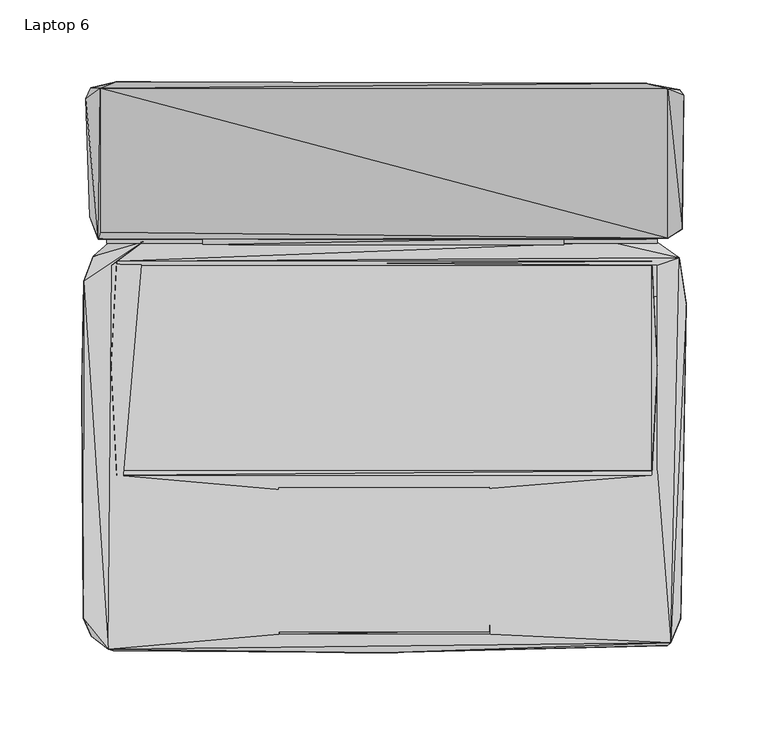
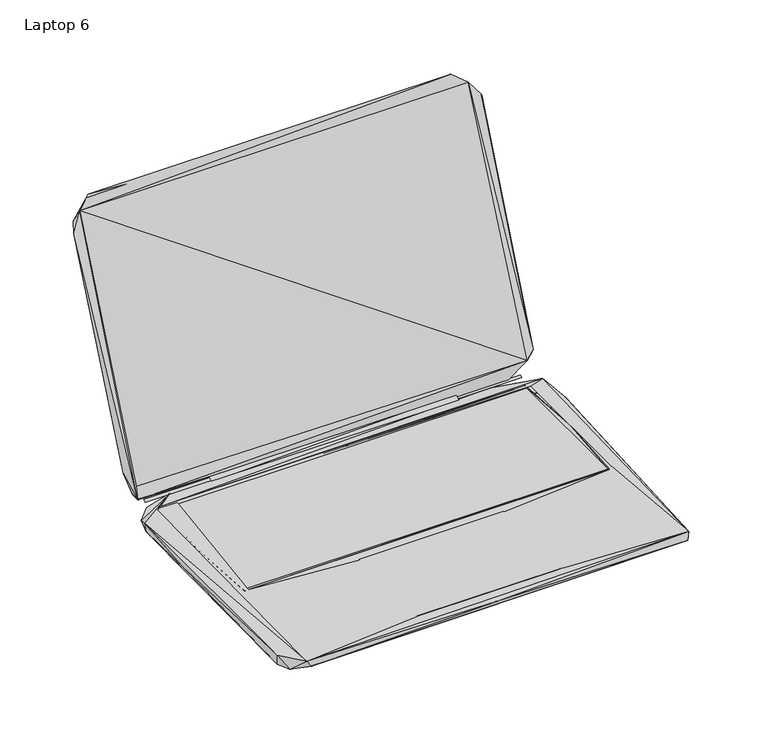
"""IFC4 building model written with IfcOpenShell, lengths in millimetres: furniture geometry, Laptop 6."""

from ifc_helpers import new_model, si_unit, origin, place, context, project, spatial, triangles, source, transform, mapped, element, save


def laptop_6_d6ab56ca(model_context):
    return source(origin(), model_context, "Body", "Tessellation", [
        triangles([(-110.8122223, 74.627794, 10.6596248), (109.6013406, 74.6278076, 10.6596248), (109.7013345, 79.027807, 13.559625), (-110.8122223, 79.1277919, 13.559625), (-177.7495428, 67.5618145, 1.9875597), (-147.0631074, 76.4618118, 11.2875593), (-168.0495353, 76.0618135, 5.7875595), (179.8283585, 64.0618283, 1.3875597), (-175.7495377, 83.7618113, 15.6875588), (179.7283646, 88.3618303, 24.887557), (153.6283589, 77.6618294, 9.9875603), (-174.5495383, 78.161817, 13.8875596), (-173.4495509, 82.3618059, 23.5875592), (-173.4495691, 170.0837498, 230.6309262), (173.2283617, 78.5618289, 23.5875592), (-182.3495527, 163.7837528, 215.930915), (-169.4495407, 75.7618182, 11.0875602), (166.7283587, 75.7618318, 11.0875602), (-169.4495407, 78.161817, 12.3875592), (166.7283587, 78.1618261, 12.3875592), (138.5419342, 76.361827, 10.7875592), (166.8283708, 76.261824, 5.8875596), (-166.3495482, 62.0618141, 11.38756), (-163.1495437, 64.7618083, 11.38756), (-163.1495437, 62.1618125, 10.6875596), (163.4283603, 64.7618264, 11.38756), (166.7283587, 62.1618307, 11.4875596), (180.1283584, 66.761827, 11.1875598), (163.4283603, 62.1618307, 10.6875596), (181.8283636, 84.2618262, 27.087559), (173.2283617, 169.9837741, 230.7309201), (183.028363, 165.9837639, 217.9309201), (180.4283401, 169.2837623, 219.6309072), (-179.2495603, 170.3837315, 222.6309239), (-163.4495617, 174.0837419, 240.2309216), (159.4283501, 173.2837725, 240.9309152), (-183.6495279, -153.3039964, 10.6875596), (-182.5495224, -150.8039946, 0.2875598), (-178.8495302, -164.2039852, 2.0875598), (-168.349517, -172.3039813, 11.1875598), (-184.5495456, -12.9601214, 6.4875599), (-183.349528, 52.5508394, 10.0875599), (-180.9495473, 54.1508417, 0.2875598), (180.9283822, -153.7039538, 0.3875598), (-165.1495306, -173.3039929, 5.9875598), (172.92838, -170.0039582, 4.2875599), (-0.1173518, -174.3039864, 9.9875603), (-64.390233, -163.2039917, 11.4875596), (-62.6902369, -74.8820436, 10.9875595), (174.828373, -168.403965, 11.2875593), (64.6690632, -163.2039917, 11.4875596), (-166.549536, -63.3820506, 11.4875596), (-162.9495559, -66.0820538, 11.4875596), (-64.390233, -161.8039681, 11.0875602), (64.269074, -161.7039742, 11.0875602), (64.069068, -73.4820427, 11.0875602), (-64.4902269, -73.5820457, 11.0875602), (-63.4902335, -159.8039812, 10.9875595), (62.0690675, -161.1039745, 10.9875595), (62.1690659, -74.18205, 10.9875595), (184.3283564, 38.5508627, 8.7875592), (163.4283603, -66.0820402, 11.4875596), (166.7283587, -63.3820369, 11.4875596), (182.5283572, 42.6508668, 0.1875598), (-163.1495437, -66.0820538, 11.38756), (163.4283603, -63.3820369, 10.6875596), (-163.1495437, -63.3820506, 10.6875596), (-166.549536, 0.5398784, 11.38756), (166.7283587, -1.7601028, 11.38756), (-179.8495418, 91.6618197, 32.1875588)], [[1, 2, 3], [1, 3, 4], [5, 6, 7], [5, 7, 8], [9, 10, 11], [9, 11, 12], [12, 13, 14], [12, 11, 15], [12, 15, 13], [12, 14, 16], [17, 18, 19], [19, 18, 20], [7, 6, 21], [7, 21, 22], [7, 22, 8], [23, 24, 6], [24, 25, 26], [24, 21, 6], [24, 27, 28], [24, 28, 21], [25, 29, 26], [21, 28, 22], [11, 30, 15], [11, 10, 30], [22, 28, 8], [15, 30, 31], [10, 32, 30], [10, 33, 32], [30, 32, 31], [16, 14, 34], [34, 35, 33], [34, 14, 35], [14, 36, 35], [14, 31, 36], [35, 36, 33], [36, 31, 33], [31, 32, 33], [37, 38, 39], [37, 39, 40], [37, 41, 38], [37, 42, 41], [37, 40, 42], [38, 41, 43], [38, 44, 39], [38, 43, 44], [39, 45, 40], [39, 46, 45], [39, 44, 46], [40, 23, 6], [40, 45, 47], [40, 48, 49], [40, 47, 50], [40, 51, 48], [40, 50, 51], [40, 52, 23], [40, 53, 52], [40, 49, 53], [40, 6, 42], [45, 46, 47], [54, 55, 56], [54, 56, 57], [48, 58, 49], [48, 59, 58], [48, 51, 59], [47, 46, 50], [51, 50, 60], [46, 44, 50], [50, 61, 28], [50, 44, 61], [50, 62, 60], [50, 63, 62], [50, 27, 63], [50, 28, 27], [44, 64, 61], [44, 43, 64], [65, 66, 67], [65, 62, 66], [65, 67, 68], [67, 25, 68], [53, 49, 60], [53, 60, 62], [66, 62, 69], [66, 69, 29], [41, 42, 43], [68, 25, 24], [69, 26, 29], [42, 5, 43], [42, 6, 5], [43, 5, 8], [43, 8, 64], [64, 8, 61], [61, 8, 28], [70, 9, 12], [70, 12, 16], [70, 10, 9], [70, 34, 33], [70, 33, 10], [70, 16, 34]], closed=False),
        triangles([(-163.1627697, -63.4161237, 10.6379669), (163.3643744, -63.4161101, 10.6379669), (-163.1627697, 62.2339511, 10.6379669), (163.3643744, 62.2339648, 10.6379669)], [[1, 2, 3], [2, 4, 3]], closed=False),
        triangles([(-173.4428653, 82.3395871, 23.5443364), (173.2898041, 78.539601, 23.5443364), (-173.4428834, 170.1375074, 230.6010043), (173.289786, 169.9375378, 230.6010043)], [[1, 2, 3], [2, 4, 3]], closed=False),
    ])


if __name__ == "__main__":
    model = new_model("IFC4")
    model_context = context("Model", 3, world=origin())
    ifc_project = project(units=[si_unit("LENGTHUNIT", "METRE", prefix="MILLI")], contexts=[model_context])
    site = spatial("IfcSite", under=ifc_project)
    building = spatial("IfcBuilding", under=site)
    placement = place(None, origin())
    laptop_6_shape = laptop_6_d6ab56ca(model_context)
    element("IfcFurniture", 1, ObjectType="Laptop 6", at=placement, inside=building, context=model_context, shape_type="MappedRepresentation", body=[
        mapped(laptop_6_shape, transform((0.0, 0.0, 0.0), x_axis=(1.0, 0.0, 0.0), y_axis=(0.0, 1.0, 0.0), z_axis=(0.0, 0.0, 1.0))),
    ])
    save(model, "model.ifc")
